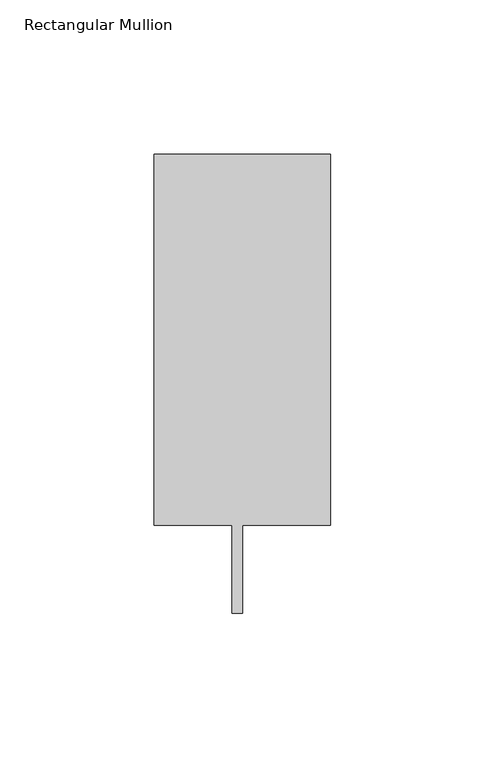
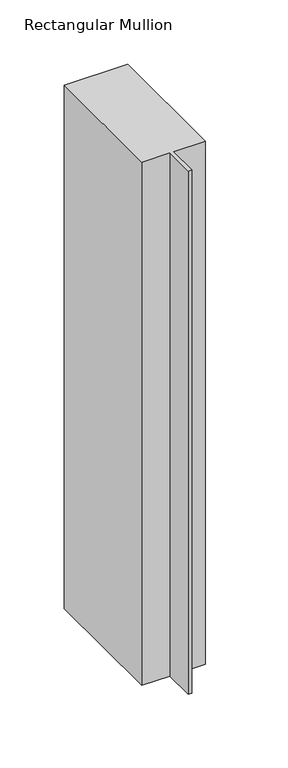
"""IFC4 building model written with IfcOpenShell, lengths in millimetres: member geometry, Rectangular Mullion."""

from ifc_helpers import new_model, si_unit, frame, origin, place, context, project, spatial, polyline, outline, extrude, source, transform, mapped, element, save


def rectangular_mullion_1752a9a9(model_context):
    return source(origin(), model_context, "Body", "SweptSolid", [
        extrude(outline(polyline([(-57.15, 151.892), (0.0, 151.892), (0.0, 31.75), (-28.575, 31.75), (-28.575, 3.1495791), (-31.877, 3.1495791), (-31.877, 31.75), (-57.15, 31.75), (-57.15, 151.892)])), frame((0.0, 0.0, -496.7777402), z_axis=(0.0, 0.0, 1.0), x_axis=(1.0, 0.0, 0.0)), (0.0, 0.0, 1.0), 496.7777402),
    ])


if __name__ == "__main__":
    model = new_model("IFC4")
    model_context = context("Model", 3, world=origin())
    ifc_project = project(units=[si_unit("LENGTHUNIT", "METRE", prefix="MILLI")], contexts=[model_context])
    site = spatial("IfcSite", under=ifc_project)
    building = spatial("IfcBuilding", under=site)
    placement = place(None, origin())
    rectangular_mullion_shape = rectangular_mullion_1752a9a9(model_context)
    element("IfcMember", 1, ObjectType="Rectangular Mullion", at=placement, inside=building, context=model_context, shape_type="MappedRepresentation", body=[
        mapped(rectangular_mullion_shape, transform((0.0, 0.0, 0.0), x_axis=(1.0, 0.0, 0.0), y_axis=(0.0, 1.0, 0.0), z_axis=(0.0, 0.0, 1.0))),
    ])
    save(model, "model.ifc")
